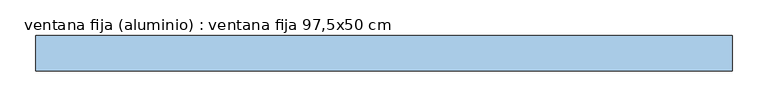
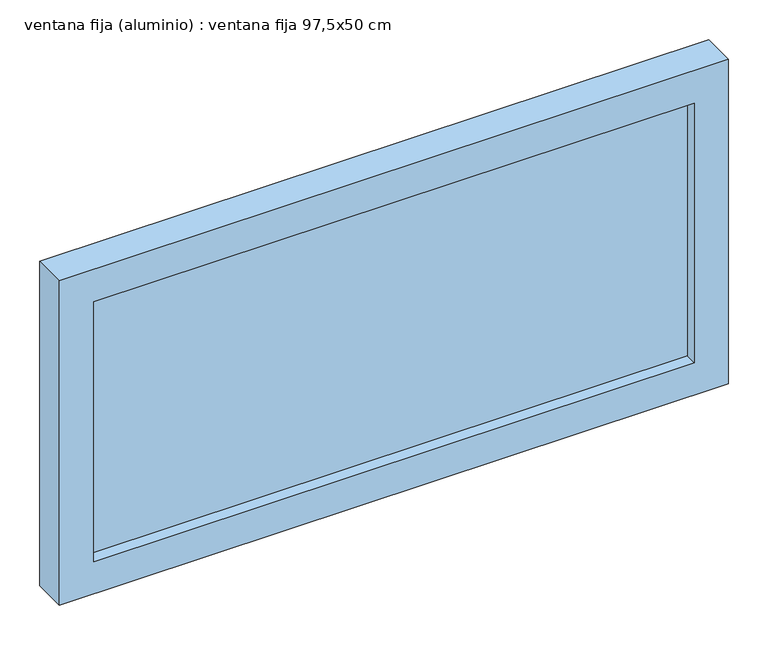
"""IFC4 building model written with IfcOpenShell, lengths in millimetres: window geometry, ventana fija (aluminio) : ventana fija 97,5x50 cm."""

from ifc_helpers import new_model, si_unit, frame, origin, place, context, project, spatial, polyline, outline, extrude, source, transform, mapped, element, save


def ventana_fija_aluminio_ventana_fija_97_5x50_cm_3c2ae137(model_context):
    return source(origin(), model_context, "Body", "SweptSolid", [
        extrude(outline(polyline([(437.5, -117.5), (437.5, -132.5), (-437.5, -132.5), (-437.5, -117.5), (437.5, -117.5)])), frame((0.0, 0.0, 850.0), z_axis=(0.0, 0.0, 1.0), x_axis=(1.0, 0.0, 0.0)), (0.0, 0.0, 1.0), 400.0),
        extrude(outline(polyline([(1300.0, -487.5), (800.0, -487.5), (800.0, 487.5), (1300.0, 487.5), (1300.0, -487.5)]), holes=[polyline([(1250.0, -437.5), (1250.0, 437.5), (850.0, 437.5), (850.0, -437.5), (1250.0, -437.5)])]), frame((0.0, -150.0, 0.0), z_axis=(0.0, 1.0, 0.0), x_axis=(0.0, 0.0, 1.0)), (0.0, 0.0, 1.0), 50.0),
    ])


if __name__ == "__main__":
    model = new_model("IFC4")
    model_context = context("Model", 3, world=origin())
    ifc_project = project(units=[si_unit("LENGTHUNIT", "METRE", prefix="MILLI")], contexts=[model_context])
    site = spatial("IfcSite", under=ifc_project)
    building = spatial("IfcBuilding", under=site)
    placement = place(None, origin())
    ventana_fija_aluminio_ventana_fija_97_5x50_cm_shape = ventana_fija_aluminio_ventana_fija_97_5x50_cm_3c2ae137(model_context)
    element("IfcWindow", 1, ObjectType="ventana fija (aluminio) : ventana fija 97,5x50 cm", at=placement, inside=building, context=model_context, shape_type="MappedRepresentation", body=[
        mapped(ventana_fija_aluminio_ventana_fija_97_5x50_cm_shape, transform((0.0, 0.0, 0.0), x_axis=(1.0, 0.0, 0.0), y_axis=(0.0, 1.0, 0.0), z_axis=(0.0, 0.0, 1.0))),
    ])
    save(model, "model.ifc")
